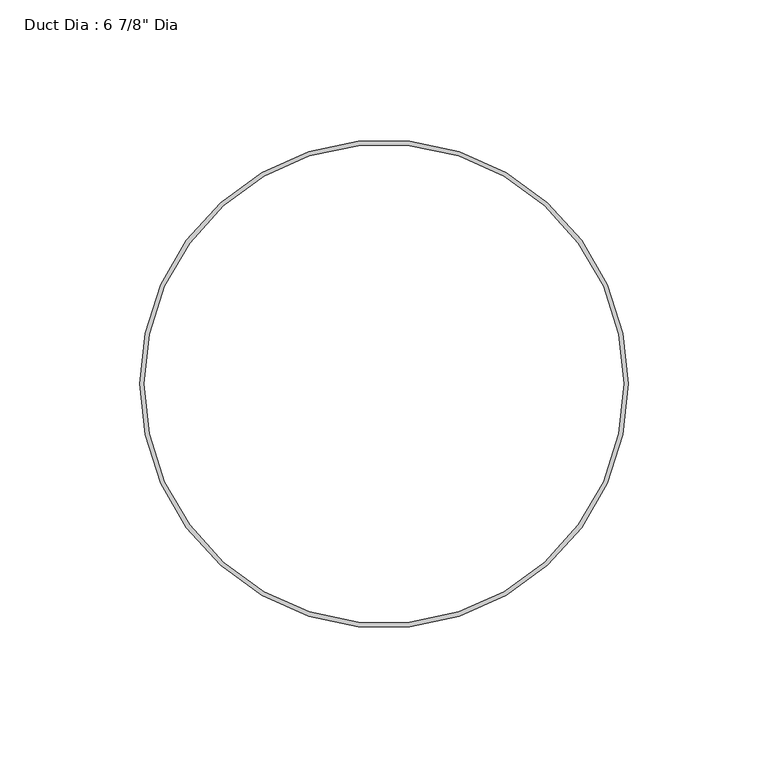
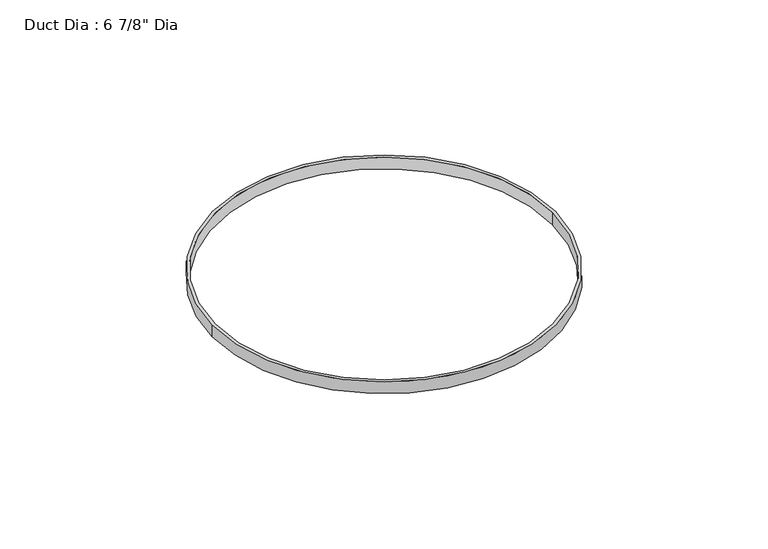
"""IFC4 building model written with IfcOpenShell, lengths in millimetres: proxy geometry."""

import ifcopenshell
import ifcopenshell.guid

model = None  # the IFC model being written
_history = None  # IfcOwnerHistory: only IFC2X3 demands one
_inside = {}  # id of a spatial element -> (the spatial element, [elements in it])
_under = {}  # id of a project, library or spatial element -> (it, [spatial elements below it])
_declared = {}  # id of a project -> (the project, [libraries it declares])
_typed = {}  # id of a type object -> (the type object, [elements of that type])
_made_of = {}  # id of a material, layer set ... -> (it, [elements and type objects made of it])


def new_model(schema):
    """Start an empty IFC model of exactly this schema.

    Asked for "IFC4X3", IfcOpenShell would pick the latest addendum, in which some entities
    have other attributes; the version numbers below select the first issue.
    IFC2X3 requires an IfcOwnerHistory on every rooted entity: one is made here for all.
    """
    global model, _history
    if schema == "IFC4X3":
        model = ifcopenshell.file(schema_version=(4, 3, 0, 0))
    else:
        model = ifcopenshell.file(schema=schema)
    _inside.clear()
    _under.clear()
    _declared.clear()
    _typed.clear()
    _made_of.clear()
    _history = None
    if model.schema == "IFC2X3":
        org = make("IfcOrganization", Name="unknown")
        user = make(
            "IfcPersonAndOrganization",
            ThePerson=make("IfcPerson", FamilyName="unknown"),
            TheOrganization=org,
        )
        app = make(
            "IfcApplication",
            ApplicationDeveloper=org,
            Version="unknown",
            ApplicationFullName="unknown",
            ApplicationIdentifier="unknown",
        )
        _history = make(
            "IfcOwnerHistory",
            OwningUser=user,
            OwningApplication=app,
            ChangeAction="ADDED",
            CreationDate=0,
        )
    return model


def make(cls, **values):
    """One entity of the class cls with the attributes given. An attribute that is None is left unset."""
    return model.create_entity(
        cls, **{name: value for name, value in values.items() if value is not None}
    )


def rooted(cls, **values):
    """An entity with a GlobalId (a new one), such as an element, a storey or a relation."""
    return make(cls, GlobalId=ifcopenshell.guid.new(), OwnerHistory=_history, **values)


def si_unit(unit_type, name, prefix=None):
    """IfcSIUnit, for example si_unit("LENGTHUNIT", "METRE", prefix="MILLI")."""
    return make("IfcSIUnit", UnitType=unit_type, Prefix=prefix, Name=name)


def assignment(units):
    """IfcUnitAssignment: the units of a project."""
    return None if units is None else make("IfcUnitAssignment", Units=units)


def point(xyz):
    """IfcCartesianPoint."""
    return None if xyz is None else make("IfcCartesianPoint", Coordinates=xyz)


def direction(xyz):
    """IfcDirection."""
    return None if xyz is None else make("IfcDirection", DirectionRatios=xyz)


def frame(location, z_axis=None, x_axis=None):
    """IfcAxis2Placement3D, a coordinate frame: its origin and axes. An axis left out is left unset."""
    return make(
        "IfcAxis2Placement3D",
        Location=point(location),
        Axis=direction(z_axis),
        RefDirection=direction(x_axis),
    )


def frame_2d(location, x_axis=None):
    """IfcAxis2Placement2D, a coordinate frame in the plane: its origin and x axis."""
    return make(
        "IfcAxis2Placement2D", Location=point(location), RefDirection=direction(x_axis)
    )


def origin():
    """The frame at (0, 0, 0) with its axes left unset."""
    return frame((0.0, 0.0, 0.0))


def origin_with_axes():
    """The frame at (0, 0, 0) with the z axis (0, 0, 1) and the x axis (1, 0, 0) written out."""
    return frame((0.0, 0.0, 0.0), z_axis=(0.0, 0.0, 1.0), x_axis=(1.0, 0.0, 0.0))


def origin_2d():
    """The frame at (0, 0) in the plane with its x axis left unset."""
    return frame_2d((0.0, 0.0))


def place(relative_to, where):
    """IfcLocalPlacement: puts the frame where relative to a parent placement (None: the world)."""
    return make(
        "IfcLocalPlacement", PlacementRelTo=relative_to, RelativePlacement=where
    )


def context(
    kind, dimensions, precision=None, world=None, true_north=None, identifier=None
):
    """IfcGeometricRepresentationContext, for example the 3D "Model" context."""
    return make(
        "IfcGeometricRepresentationContext",
        ContextIdentifier=identifier,
        ContextType=kind,
        CoordinateSpaceDimension=dimensions,
        Precision=precision,
        WorldCoordinateSystem=world,
        TrueNorth=true_north,
    )


def project(units=None, contexts=None):
    """IfcProject with its units and contexts."""
    return rooted(
        "IfcProject",
        Name="project",
        RepresentationContexts=contexts,
        UnitsInContext=assignment(units),
    )


def spatial(cls, under=None, at=None, **own):
    """A site, building, storey or space (cls), placed at a placement, below another one or the project."""
    s = rooted(cls, ObjectPlacement=at, **own)
    if under is not None:
        _under.setdefault(under.id(), (under, []))[1].append(s)
    return s


def circle_curve(where, radius):
    """IfcCircle in the frame where."""
    return make("IfcCircle", Position=where, Radius=radius)


def trimmed(basis, trim1, trim2, sense, master):
    """IfcTrimmedCurve: the piece of a basis curve between two trims."""
    return make(
        "IfcTrimmedCurve",
        BasisCurve=basis,
        Trim1=trim1,
        Trim2=trim2,
        SenseAgreement=sense,
        MasterRepresentation=master,
    )


def segment(curve, same_sense, transition):
    """IfcCompositeCurveSegment."""
    return make(
        "IfcCompositeCurveSegment",
        Transition=transition,
        SameSense=same_sense,
        ParentCurve=curve,
    )


def composite_curve(segments, self_intersect=None):
    """IfcCompositeCurve: segments joined end to end."""
    return make("IfcCompositeCurve", Segments=segments, SelfIntersect=self_intersect)


def outline(outer, holes=None, kind="AREA"):
    """IfcArbitraryClosedProfileDef: a profile drawn as a closed curve; with holes, ...WithVoids."""
    if holes is None:
        return make("IfcArbitraryClosedProfileDef", ProfileType=kind, OuterCurve=outer)
    return make(
        "IfcArbitraryProfileDefWithVoids",
        ProfileType=kind,
        OuterCurve=outer,
        InnerCurves=holes,
    )


def extrude(swept, where, along, depth):
    """IfcExtrudedAreaSolid: the profile swept, set in the frame where, extruded along a direction by depth."""
    return make(
        "IfcExtrudedAreaSolid",
        SweptArea=swept,
        Position=where,
        ExtrudedDirection=direction(along),
        Depth=depth,
    )


def shape(context_of_items, identifier, shape_type, items):
    """IfcShapeRepresentation: the items that make up one representation, for example the "Body"."""
    return make(
        "IfcShapeRepresentation",
        ContextOfItems=context_of_items,
        RepresentationIdentifier=identifier,
        RepresentationType=shape_type,
        Items=items,
    )


def source(mapping_origin, context_of_items, identifier, shape_type, items):
    """IfcRepresentationMap: a shape defined once, which mapped items show again and again."""
    return make(
        "IfcRepresentationMap",
        MappingOrigin=mapping_origin,
        MappedRepresentation=shape(context_of_items, identifier, shape_type, items),
    )


def transform(
    local_origin,
    x_axis=None,
    y_axis=None,
    z_axis=None,
    scale=None,
    scale2=None,
    scale3=None,
    uniform=True,
):
    """IfcCartesianTransformationOperator3D, or its non-uniform kind. x_axis, y_axis, z_axis: its Axis1, 2, 3."""
    if uniform:
        return make(
            "IfcCartesianTransformationOperator3D",
            Axis1=direction(x_axis),
            Axis2=direction(y_axis),
            LocalOrigin=point(local_origin),
            Scale=scale,
            Axis3=direction(z_axis),
        )
    return make(
        "IfcCartesianTransformationOperator3DnonUniform",
        Axis1=direction(x_axis),
        Axis2=direction(y_axis),
        LocalOrigin=point(local_origin),
        Scale=scale,
        Axis3=direction(z_axis),
        Scale2=scale2,
        Scale3=scale3,
    )


def mapped(mapping_source, mapping_target):
    """IfcMappedItem: shows the shape of a source again, moved by a transform."""
    return make(
        "IfcMappedItem", MappingSource=mapping_source, MappingTarget=mapping_target
    )


def made_of(thing, what):
    """Note that an element or type object is made of a material, layer set ...; save() writes the relation."""
    if what is not None:
        _made_of.setdefault(what.id(), (what, []))[1].append(thing)
    return thing


def element(
    cls,
    number,
    at=None,
    inside=None,
    cuts=None,
    type_object=None,
    material=None,
    context=None,
    identifier="Body",
    shape_type=None,
    held_by="IfcProductDefinitionShape",
    body=None,
    shapes=None,
    **own,
):
    """One element of the class cls, such as IfcWall. Its Tag is "e" and its number.

    at: its placement. inside: the storey or other place that contains it. cuts: it is an
    opening in that element (IfcRelVoidsElement). A single representation is given by context,
    identifier, shape_type and body (its items); several are given by shapes. held_by: the class
    of the entity that holds the representations. save() writes the other relations.
    """
    e = rooted(cls, Tag="e%d" % number, ObjectPlacement=at, **own)
    if body is not None:
        shapes = [shape(context, identifier, shape_type, body)]
    if shapes is not None:
        e.Representation = make(held_by, Representations=shapes)
    if inside is not None:
        _inside.setdefault(inside.id(), (inside, []))[1].append(e)
    if cuts is not None:
        rooted(
            "IfcRelVoidsElement", RelatingBuildingElement=cuts, RelatedOpeningElement=e
        )
    if type_object is not None:
        _typed.setdefault(type_object.id(), (type_object, []))[1].append(e)
    return made_of(e, material)


def aggregate(whole, parts):
    """IfcRelAggregates: a whole, such as a stair, and the parts it consists of."""
    return rooted("IfcRelAggregates", RelatingObject=whole, RelatedObjects=parts)


def save(model, path):
    """Write the relations noted so far, then the file.

    IfcRelAggregates (storeys below a building ...), IfcRelContainedInSpatialStructure (elements
    in a storey), IfcRelDefinesByType, IfcRelAssociatesMaterial and IfcRelDeclares: one each for
    every whole, place, type object, material and project.
    """
    for whole, parts in _under.values():
        aggregate(whole, parts)
    for where, things in _inside.values():
        rooted(
            "IfcRelContainedInSpatialStructure",
            RelatedElements=things,
            RelatingStructure=where,
        )
    for kind, things in _typed.values():
        rooted("IfcRelDefinesByType", RelatedObjects=things, RelatingType=kind)
    for what, things in _made_of.values():
        rooted("IfcRelAssociatesMaterial", RelatedObjects=things, RelatingMaterial=what)
    for by, libraries in _declared.values():
        rooted("IfcRelDeclares", RelatingContext=by, RelatedDefinitions=libraries)
    model.write(path)


def proxy_0b07f914(model_context):
    return source(origin(), model_context, "Body", "SweptSolid", [
        extrude(outline(composite_curve([segment(trimmed(circle_curve(origin_2d(), 87.3125), [point((-87.3125, 0.0))], [point((87.3125, 0.0))], False, "CARTESIAN"), True, "CONTINUOUS"), segment(trimmed(circle_curve(origin_2d(), 87.3125), [point((87.3125, 0.0))], [point((-87.3125, 0.0))], False, "CARTESIAN"), True, "CONTINUOUS")], self_intersect=False), holes=[composite_curve([segment(trimmed(circle_curve(origin_2d(), 85.725), [point((-85.725, 0.0))], [point((85.725, 0.0))], True, "CARTESIAN"), True, "CONTINUOUS"), segment(trimmed(circle_curve(origin_2d(), 85.725), [point((85.725, 0.0))], [point((-85.725, 0.0))], True, "CARTESIAN"), True, "CONTINUOUS")], self_intersect=False)]), origin_with_axes(), (0.0, 0.0, 1.0), 6.35),
    ])


if __name__ == "__main__":
    model = new_model("IFC4")
    model_context = context("Model", 3, world=origin())
    ifc_project = project(units=[si_unit("LENGTHUNIT", "METRE", prefix="MILLI")], contexts=[model_context])
    site = spatial("IfcSite", under=ifc_project)
    building = spatial("IfcBuilding", under=site)
    placement = place(None, origin())
    proxy_shape = proxy_0b07f914(model_context)
    element("IfcBuildingElementProxy", 1, Name="Duct Dia : 6 7/8\" Dia", ObjectType="Duct Dia : 6 7/8\" Dia", at=placement, inside=building, context=model_context, shape_type="MappedRepresentation", body=[
        mapped(proxy_shape, transform((0.0, 0.0, 0.0), x_axis=(1.0, 0.0, 0.0), y_axis=(0.0, 1.0, 0.0), z_axis=(0.0, 0.0, 1.0))),
    ])
    save(model, "model.ifc")
